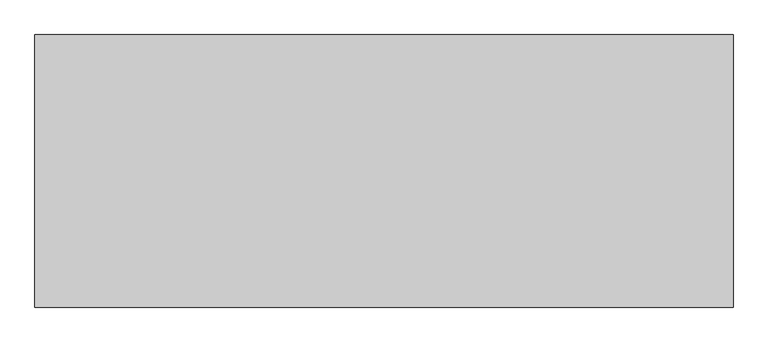
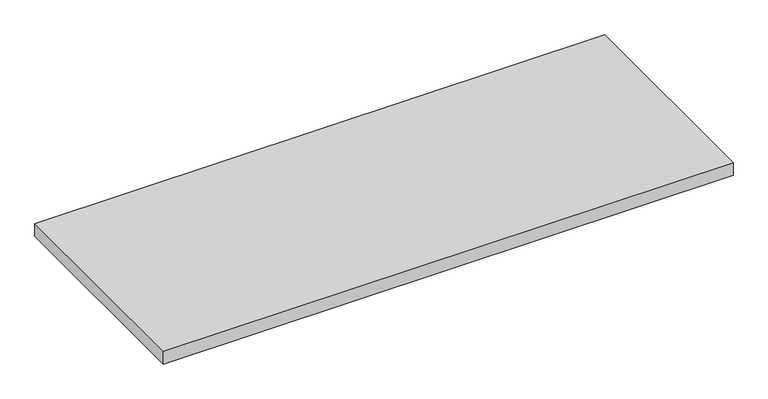
"""IFC4 building model written with IfcOpenShell, lengths in millimetres: furniture geometry."""

from ifc_helpers import new_model, si_unit, frame, origin, place, context, project, spatial, polyline, outline, extrude, source, transform, mapped, element, save


def furniture_6136da8f(model_context):
    return source(origin(), model_context, "Body", "SweptSolid", [
        extrude(outline(polyline([(1528.572, 0.0), (1528.572, -596.9), (0.0, -596.9), (0.0, 0.0), (1528.572, 0.0)])), frame((0.0, 0.0, 697.738), z_axis=(0.0, 0.0, 1.0), x_axis=(1.0, 0.0, 0.0)), (0.0, 0.0, 1.0), 36.3449586),
    ])


if __name__ == "__main__":
    model = new_model("IFC4")
    model_context = context("Model", 3, world=origin())
    ifc_project = project(units=[si_unit("LENGTHUNIT", "METRE", prefix="MILLI")], contexts=[model_context])
    site = spatial("IfcSite", under=ifc_project)
    building = spatial("IfcBuilding", under=site)
    placement = place(None, origin())
    furniture_shape = furniture_6136da8f(model_context)
    element("IfcFurniture", 1, at=placement, inside=building, context=model_context, shape_type="MappedRepresentation", body=[
        mapped(furniture_shape, transform((0.0, 0.0, 0.0), x_axis=(1.0, 0.0, 0.0), y_axis=(0.0, 1.0, 0.0), z_axis=(0.0, 0.0, 1.0))),
    ])
    save(model, "model.ifc")
